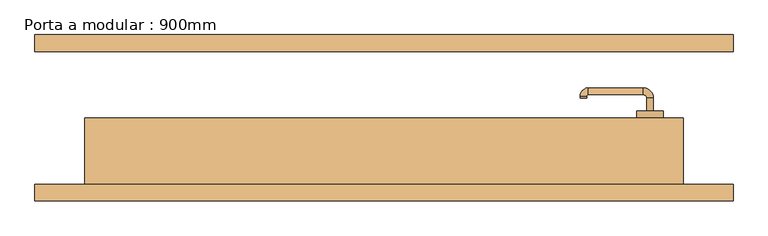
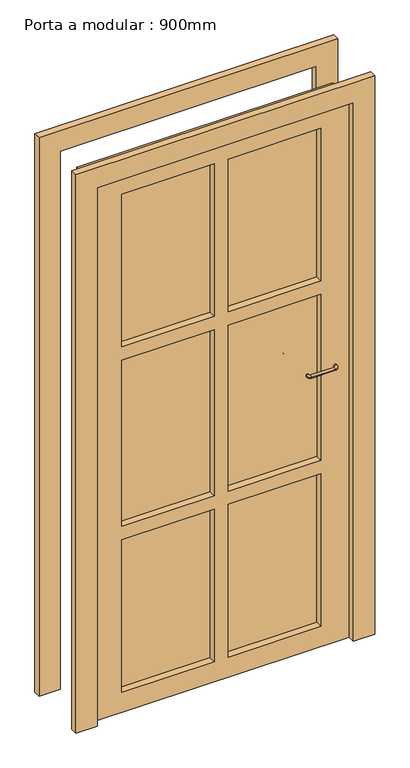
"""IFC4 building model written with IfcOpenShell, lengths in millimetres: door geometry, Porta a modular : 900mm."""

from ifc_helpers import new_model, si_unit, point, frame, frame_2d, origin, origin_with_axes, place, context, project, spatial, polyline, circle_curve, ellipse_curve, trimmed, segment, composite_curve, outline, extrude, source, transform, mapped, element, save
from ifc_brep_helpers import plane_surface, cylinder_surface, revolved_surface, advanced_brep


def porta_a_modular_900mm_2c6da75b(model_context):
    return source(origin(), model_context, "Body", "SolidModel", [
        extrude(outline(composite_curve([segment(polyline([(962.8763376, 402.3084346), (974.135018, 402.3084346)]), True, "CONTINUOUS"), segment(trimmed(circle_curve(frame_2d((979.4570568, 400.0)), 5.8011178), [point((974.135018, 402.3084346))], [point((974.135018, 397.6915654))], False, "CARTESIAN"), True, "CONTINUOUS"), segment(polyline([(974.135018, 397.6915654), (962.8763376, 397.6915654)]), True, "CONTINUOUS"), segment(trimmed(circle_curve(frame_2d((962.8763376, 400.0056608)), 2.3140954), [point((962.8763376, 397.6915654))], [point((960.5622491, 400.0))], False, "CARTESIAN"), True, "CONTINUOUS"), segment(trimmed(circle_curve(frame_2d((962.8763376, 399.9943392)), 2.3140954), [point((960.5622491, 400.0))], [point((962.8763376, 402.3084346))], False, "CARTESIAN"), True, "CONTINUOUS")], self_intersect=False)), frame((0.0, 5.0, 0.0), z_axis=(0.0, 1.0, 0.0), x_axis=(0.0, 0.0, 1.0)), (0.0, 0.0, 1.0), 5.0),
        extrude(outline(composite_curve([segment(trimmed(circle_curve(frame_2d((974.8079154, 400.0)), 20.0), [point((974.8079154, 420.0))], [point((974.8079154, 380.0))], False, "CARTESIAN"), True, "CONTINUOUS"), segment(trimmed(circle_curve(frame_2d((974.8079154, 400.0)), 20.0), [point((974.8079154, 380.0))], [point((974.8079154, 420.0))], False, "CARTESIAN"), True, "CONTINUOUS")], self_intersect=False)), frame((0.0, 0.0, 0.0), z_axis=(0.0, 1.0, 0.0), x_axis=(0.0, 0.0, 1.0)), (0.0, 0.0, 1.0), 10.0),
        advanced_brep(
        [(405.0, 5.0, 1027.5), (395.0, 5.0, 1027.5), (395.0, 30.0, 1027.5), (405.0, 30.0, 1027.5), (390.0, 45.0, 1027.5), (390.0, 35.0, 1027.5), (295.0, 30.0, 1027.5), (305.0, 30.0, 1027.5), (307.0175282, 35.0, 1027.5), (307.0175282, 45.0, 1027.5), (295.0, 32.9824718, 1027.5), (305.0, 32.9824718, 1027.5)],
        [
            (0, 1, circle_curve(frame((400.0, 5.0, 1027.5), z_axis=(0.0, -1.0, 0.0), x_axis=(-1.0000000000000004, 0.0, 0.0)), 5.0)),
            (1, 0, circle_curve(frame((400.0, 5.0, 1027.5), z_axis=(0.0, -1.0, 0.0), x_axis=(-1.0000000000000004, 0.0, 0.0)), 5.0)),
            (1, 2),
            (2, 3, circle_curve(frame((400.0, 30.0, 1027.5), z_axis=(0.0, -1.0, 0.0), x_axis=(-1.0000000000000004, 0.0, 0.0)), 5.0)),
            (3, 0),
            (3, 2, circle_curve(frame((400.0, 30.0, 1027.5), z_axis=(0.0, -1.0, 0.0), x_axis=(-1.0000000000000004, 0.0, 0.0)), 5.0)),
            (4, 3, circle_curve(frame((390.0, 30.0, 1027.5), z_axis=(0.0, 0.0, -1.0), x_axis=(1.0000000000000004, 0.0, 0.0)), 15.0)),
            (2, 5, circle_curve(frame((390.0, 30.0, 1027.5), z_axis=(0.0, 0.0, 1.0), x_axis=(1.0000000000000004, 0.0, 0.0)), 5.0)),
            (5, 4, circle_curve(frame((390.0, 40.0, 1027.5), z_axis=(1.0000000000000004, 0.0, 0.0), x_axis=(0.0, -1.0000000000000004, 0.0)), 5.0)),
            (4, 5, circle_curve(frame((390.0, 40.0, 1027.5), z_axis=(1.0000000000000004, 0.0, 0.0), x_axis=(0.0, -1.0000000000000004, 0.0)), 5.0)),
            (6, 7, circle_curve(frame((300.0, 30.0, 1027.5), z_axis=(0.0, -1.0, 0.0), x_axis=(1.0000000000000004, 0.0, 0.0)), 5.0)),
            (7, 6, circle_curve(frame((300.0, 30.0, 1027.5), z_axis=(0.0, -1.0, 0.0), x_axis=(1.0000000000000004, 0.0, 0.0)), 5.0)),
            (5, 8),
            (8, 9, circle_curve(frame((307.0175282, 40.0, 1027.5), z_axis=(1.0, 0.0, 0.0), x_axis=(0.0, -1.0000000000000004, 0.0)), 5.0)),
            (9, 4),
            (9, 8, circle_curve(frame((307.0175282, 40.0, 1027.5), z_axis=(1.0, 0.0, 0.0), x_axis=(0.0, -1.0000000000000004, 0.0)), 5.0)),
            (10, 9, circle_curve(frame((307.0175282, 32.9824718, 1027.5), z_axis=(0.0, 0.0, -1.0), x_axis=(0.0, 1.0000000000000004, 0.0)), 12.0175282)),
            (8, 11, circle_curve(frame((307.0175282, 32.9824718, 1027.5), z_axis=(0.0, 0.0, 1.0), x_axis=(0.0, 1.0000000000000004, 0.0)), 2.0175282)),
            (11, 10, circle_curve(frame((300.0, 32.9824718, 1027.5), z_axis=(0.0, 1.0000000000000004, 0.0), x_axis=(1.0000000000000004, 0.0, 0.0)), 5.0)),
            (10, 11, circle_curve(frame((300.0, 32.9824718, 1027.5), z_axis=(0.0, 1.0000000000000004, 0.0), x_axis=(1.0000000000000004, 0.0, 0.0)), 5.0)),
            (11, 7),
            (6, 10),
        ],
        [
            plane_surface(frame((400.0, 5.0, 127.5), z_axis=(0.0, -1.0, 0.0), x_axis=(0.0, 0.0, 1.0))),
            cylinder_surface(frame((400.0, 5.0, 1027.5), z_axis=(0.0, -1.0000000000000004, 0.0), x_axis=(-1.0000000000000004, 0.0, 0.0)), 5.0),
            revolved_surface(trimmed(ellipse_curve(frame((400.0, 30.0, 1027.5), z_axis=(0.0, -1.0000000000000004, 0.0), x_axis=(-1.0000000000000004, 0.0, 0.0)), 5.0, 5.0), [point((395.0, 30.0, 1027.5))], [point((405.0, 30.0, 1027.5))], True, "CARTESIAN"), (390.0, 30.0, 127.5), (0.0, 0.0, 1.0)),
            revolved_surface(trimmed(ellipse_curve(frame((400.0, 30.0, 1027.5), z_axis=(0.0, -1.0000000000000004, 0.0), x_axis=(-1.0000000000000004, 0.0, 0.0)), 5.0, 5.0), [point((405.0, 30.0, 1027.5))], [point((395.0, 30.0, 1027.5))], True, "CARTESIAN"), (390.0, 30.0, 127.5), (0.0, 0.0, 1.0)),
            plane_surface(frame((300.0, 30.0, 127.5), z_axis=(0.0, -1.0, 0.0), x_axis=(0.0, 0.0, 1.0))),
            cylinder_surface(frame((390.0, 40.0, 1027.5), z_axis=(1.0000000000000004, 0.0, 0.0), x_axis=(0.0, -1.0000000000000004, 0.0)), 5.0),
            revolved_surface(trimmed(ellipse_curve(frame((307.0175282, 40.0, 1027.5), z_axis=(1.0000000000000004, 0.0, 0.0), x_axis=(0.0, -1.0000000000000004, 0.0)), 5.0, 5.0), [point((307.0175282, 35.0, 1027.5))], [point((307.0175282, 45.0, 1027.5))], True, "CARTESIAN"), (307.0175282, 32.9824718, 127.5), (0.0, 0.0, 1.0)),
            revolved_surface(trimmed(ellipse_curve(frame((307.0175282, 40.0, 1027.5), z_axis=(1.0000000000000004, 0.0, 0.0), x_axis=(0.0, -1.0000000000000004, 0.0)), 5.0, 5.0), [point((307.0175282, 45.0, 1027.5))], [point((307.0175282, 35.0, 1027.5))], True, "CARTESIAN"), (307.0175282, 32.9824718, 127.5), (0.0, 0.0, 1.0)),
            cylinder_surface(frame((300.0, 32.9824718, 1027.5), z_axis=(0.0, 1.0000000000000004, 0.0), x_axis=(1.0000000000000004, 0.0, 0.0)), 5.0),
        ],
        [
            (0, [[1, 2]]),
            (1, [[-2, 3, 4, 5]]),
            (1, [[-1, -5, 6, -3]]),
            (2, [[7, -4, 8, 9]]),
            (3, [[-8, -6, -7, 10]]),
            (4, [[11, 12]]),
            (5, [[-9, 13, 14, 15]]),
            (5, [[-10, -15, 16, -13]]),
            (6, [[17, -14, 18, 19]]),
            (7, [[-18, -16, -17, 20]]),
            (8, [[-19, 21, -11, 22]]),
            (8, [[-20, -22, -12, -21]]),
        ],
    ),
        extrude(outline(composite_curve([segment(trimmed(circle_curve(frame_2d((1027.5, 400.0)), 20.0), [point((1027.5, 420.0))], [point((1027.5, 380.0))], False, "CARTESIAN"), True, "CONTINUOUS"), segment(trimmed(circle_curve(frame_2d((1027.5, 400.0)), 20.0), [point((1027.5, 380.0))], [point((1027.5, 420.0))], False, "CARTESIAN"), True, "CONTINUOUS")], self_intersect=False)), frame((0.0, 0.0, 0.0), z_axis=(0.0, 1.0, 0.0), x_axis=(0.0, 0.0, 1.0)), (0.0, 0.0, 1.0), 10.0),
        extrude(outline(composite_curve([segment(polyline([(962.8763376, 402.3084346), (974.135018, 402.3084346)]), True, "CONTINUOUS"), segment(trimmed(circle_curve(frame_2d((979.4570568, 400.0)), 5.8011178), [point((974.135018, 402.3084346))], [point((974.135018, 397.6915654))], False, "CARTESIAN"), True, "CONTINUOUS"), segment(polyline([(974.135018, 397.6915654), (962.8763376, 397.6915654)]), True, "CONTINUOUS"), segment(trimmed(circle_curve(frame_2d((962.8763376, 400.0056608)), 2.3140954), [point((962.8763376, 397.6915654))], [point((960.5622491, 400.0))], False, "CARTESIAN"), True, "CONTINUOUS"), segment(trimmed(circle_curve(frame_2d((962.8763376, 399.9943392)), 2.3140954), [point((960.5622491, 400.0))], [point((962.8763376, 402.3084346))], False, "CARTESIAN"), True, "CONTINUOUS")], self_intersect=False)), frame((0.0, -85.0, 0.0), z_axis=(0.0, 1.0, 0.0), x_axis=(0.0, 0.0, 1.0)), (0.0, 0.0, 1.0), 5.0),
        extrude(outline(composite_curve([segment(trimmed(circle_curve(frame_2d((974.8079154, 400.0)), 20.0), [point((974.8079154, 420.0))], [point((974.8079154, 380.0))], False, "CARTESIAN"), True, "CONTINUOUS"), segment(trimmed(circle_curve(frame_2d((974.8079154, 400.0)), 20.0), [point((974.8079154, 380.0))], [point((974.8079154, 420.0))], False, "CARTESIAN"), True, "CONTINUOUS")], self_intersect=False)), frame((0.0, -85.0, 0.0), z_axis=(0.0, 1.0, 0.0), x_axis=(0.0, 0.0, 1.0)), (0.0, 0.0, 1.0), 10.0),
        advanced_brep(
        [(405.0, -80.0, 1027.5), (395.0, -80.0, 1027.5), (405.0, -105.0, 1027.5), (395.0, -105.0, 1027.5), (390.0, -120.0, 1027.5), (390.0, -110.0, 1027.5), (295.0, -105.0, 1027.5), (305.0, -105.0, 1027.5), (307.0175282, -120.0, 1027.5), (307.0175282, -110.0, 1027.5), (295.0, -107.9824718, 1027.5), (305.0, -107.9824718, 1027.5)],
        [
            (0, 1, circle_curve(frame((400.0, -80.0, 1027.5), z_axis=(0.0, 1.0, 0.0), x_axis=(-1.0000000000000004, 0.0, 0.0)), 5.0)),
            (1, 0, circle_curve(frame((400.0, -80.0, 1027.5), z_axis=(0.0, 1.0, 0.0), x_axis=(-1.0000000000000004, 0.0, 0.0)), 5.0)),
            (0, 2),
            (2, 3, circle_curve(frame((400.0, -105.0, 1027.5), z_axis=(0.0, 1.0, 0.0), x_axis=(-1.0000000000000004, 0.0, 0.0)), 5.0)),
            (3, 1),
            (3, 2, circle_curve(frame((400.0, -105.0, 1027.5), z_axis=(0.0, 1.0, 0.0), x_axis=(-1.0000000000000004, 0.0, 0.0)), 5.0)),
            (4, 5, circle_curve(frame((390.0, -115.0, 1027.5), z_axis=(1.0000000000000004, 0.0, 0.0), x_axis=(0.0, 1.0000000000000004, 0.0)), 5.0)),
            (5, 3, circle_curve(frame((390.0, -105.0, 1027.5), z_axis=(0.0, 0.0, 1.0), x_axis=(1.0000000000000004, 0.0, 0.0)), 5.0)),
            (2, 4, circle_curve(frame((390.0, -105.0, 1027.5), z_axis=(0.0, 0.0, -1.0), x_axis=(1.0000000000000004, 0.0, 0.0)), 15.0)),
            (5, 4, circle_curve(frame((390.0, -115.0, 1027.5), z_axis=(1.0000000000000004, 0.0, 0.0), x_axis=(0.0, 1.0000000000000004, 0.0)), 5.0)),
            (6, 7, circle_curve(frame((300.0, -105.0, 1027.5), z_axis=(0.0, 1.0, 0.0), x_axis=(1.0000000000000004, 0.0, 0.0)), 5.0)),
            (7, 6, circle_curve(frame((300.0, -105.0, 1027.5), z_axis=(0.0, 1.0, 0.0), x_axis=(1.0000000000000004, 0.0, 0.0)), 5.0)),
            (4, 8),
            (8, 9, circle_curve(frame((307.0175282, -115.0, 1027.5), z_axis=(1.0, 0.0, 0.0), x_axis=(0.0, 1.0000000000000004, 0.0)), 5.0)),
            (9, 5),
            (9, 8, circle_curve(frame((307.0175282, -115.0, 1027.5), z_axis=(1.0, 0.0, 0.0), x_axis=(0.0, 1.0000000000000004, 0.0)), 5.0)),
            (10, 11, circle_curve(frame((300.0, -107.9824718, 1027.5), z_axis=(0.0, -1.0000000000000004, 0.0), x_axis=(1.0000000000000004, 0.0, 0.0)), 5.0)),
            (11, 9, circle_curve(frame((307.0175282, -107.9824718, 1027.5), z_axis=(0.0, 0.0, 1.0), x_axis=(0.0, -1.0000000000000004, 0.0)), 2.0175282)),
            (8, 10, circle_curve(frame((307.0175282, -107.9824718, 1027.5), z_axis=(0.0, 0.0, -1.0), x_axis=(0.0, -1.0000000000000004, 0.0)), 12.0175282)),
            (11, 10, circle_curve(frame((300.0, -107.9824718, 1027.5), z_axis=(0.0, -1.0000000000000004, 0.0), x_axis=(1.0000000000000004, 0.0, 0.0)), 5.0)),
            (10, 6),
            (7, 11),
        ],
        [
            plane_surface(frame((400.0, -80.0, 127.5), z_axis=(0.0, 1.0, 0.0), x_axis=(0.0, 0.0, 1.0))),
            cylinder_surface(frame((400.0, -80.0, 1027.5), z_axis=(0.0, 1.0000000000000004, 0.0), x_axis=(-1.0000000000000004, 0.0, 0.0)), 5.0),
            revolved_surface(trimmed(ellipse_curve(frame((400.0, -105.0, 1027.5), z_axis=(0.0, -1.0000000000000004, 0.0), x_axis=(-1.0000000000000004, 0.0, 0.0)), 5.0, 5.0), [point((395.0, -105.0, 1027.5))], [point((405.0, -105.0, 1027.5))], True, "CARTESIAN"), (390.0, -105.0, 127.5), (0.0, 0.0, 1.0)),
            revolved_surface(trimmed(ellipse_curve(frame((400.0, -105.0, 1027.5), z_axis=(0.0, -1.0000000000000004, 0.0), x_axis=(-1.0000000000000004, 0.0, 0.0)), 5.0, 5.0), [point((405.0, -105.0, 1027.5))], [point((395.0, -105.0, 1027.5))], True, "CARTESIAN"), (390.0, -105.0, 127.5), (0.0, 0.0, 1.0)),
            plane_surface(frame((300.0, -105.0, 127.5), z_axis=(0.0, 1.0, 0.0), x_axis=(0.0, 0.0, 1.0))),
            cylinder_surface(frame((390.0, -115.0, 1027.5), z_axis=(1.0000000000000004, 0.0, 0.0), x_axis=(0.0, 1.0000000000000004, 0.0)), 5.0),
            revolved_surface(trimmed(ellipse_curve(frame((307.0175282, -115.0, 1027.5), z_axis=(-1.0000000000000004, 0.0, 0.0), x_axis=(0.0, 1.0000000000000004, 0.0)), 5.0, 5.0), [point((307.0175282, -110.0, 1027.5))], [point((307.0175282, -120.0, 1027.5))], True, "CARTESIAN"), (307.0175282, -107.9824718, 127.5), (0.0, 0.0, 1.0)),
            revolved_surface(trimmed(ellipse_curve(frame((307.0175282, -115.0, 1027.5), z_axis=(-1.0000000000000004, 0.0, 0.0), x_axis=(0.0, 1.0000000000000004, 0.0)), 5.0, 5.0), [point((307.0175282, -120.0, 1027.5))], [point((307.0175282, -110.0, 1027.5))], True, "CARTESIAN"), (307.0175282, -107.9824718, 127.5), (0.0, 0.0, 1.0)),
            cylinder_surface(frame((300.0, -107.9824718, 1027.5), z_axis=(0.0, -1.0000000000000004, 0.0), x_axis=(1.0000000000000004, 0.0, 0.0)), 5.0),
        ],
        [
            (0, [[1, 2]]),
            (1, [[3, 4, 5, -1]]),
            (1, [[-5, 6, -3, -2]]),
            (2, [[7, 8, -4, 9]]),
            (3, [[10, -9, -6, -8]]),
            (4, [[11, 12]]),
            (5, [[13, 14, 15, -7]]),
            (5, [[-15, 16, -13, -10]]),
            (6, [[17, 18, -14, 19]]),
            (7, [[20, -19, -16, -18]]),
            (8, [[21, -12, 22, -17]]),
            (8, [[-22, -11, -21, -20]]),
        ],
    ),
        extrude(outline(composite_curve([segment(trimmed(circle_curve(frame_2d((1027.5, 400.0)), 20.0), [point((1027.5, 420.0))], [point((1027.5, 380.0))], False, "CARTESIAN"), True, "CONTINUOUS"), segment(trimmed(circle_curve(frame_2d((1027.5, 400.0)), 20.0), [point((1027.5, 380.0))], [point((1027.5, 420.0))], False, "CARTESIAN"), True, "CONTINUOUS")], self_intersect=False)), frame((0.0, -85.0, 0.0), z_axis=(0.0, 1.0, 0.0), x_axis=(0.0, 0.0, 1.0)), (0.0, 0.0, 1.0), 10.0),
        extrude(outline(polyline([(2000.0, -450.0), (2000.0, 450.0), (0.0, 450.0), (0.0, 525.0), (2075.0, 525.0), (2075.0, -525.0), (0.0, -525.0), (0.0, -450.0), (2000.0, -450.0)])), frame((0.0, -125.0, 0.0), z_axis=(0.0, 1.0, 0.0), x_axis=(0.0, 0.0, 1.0)), (0.0, 0.0, 1.0), 25.0),
        extrude(outline(polyline([(2075.0, -525.0), (0.0, -525.0), (0.0, -450.0), (2000.0, -450.0), (2000.0, 450.0), (0.0, 450.0), (0.0, 525.0), (2075.0, 525.0), (2075.0, -525.0)])), frame((0.0, 100.0, 0.0), z_axis=(0.0, 1.0, 0.0), x_axis=(0.0, 0.0, 1.0)), (0.0, 0.0, 1.0), 25.0),
        extrude(outline(polyline([(-350.0, -75.0), (-350.0, -50.0), (-25.0, -50.0), (-25.0, -75.0), (-350.0, -75.0)])), frame((0.0, 0.0, 691.7), z_axis=(0.0, 0.0, 1.0), x_axis=(1.0, 0.0, 0.0)), (0.0, 0.0, 1.0), 616.7),
        extrude(outline(polyline([(350.0, -75.0), (25.0, -75.0), (25.0, -25.0), (350.0, -25.0), (350.0, -75.0)])), frame((0.0, 0.0, 691.7), z_axis=(0.0, 0.0, 1.0), x_axis=(1.0, 0.0, 0.0)), (0.0, 0.0, 1.0), 616.7),
        extrude(outline(polyline([(2000.0, -450.0), (0.0, -450.0), (0.0, 450.0), (2000.0, 450.0), (2000.0, -450.0)]), holes=[polyline([(1308.4, -25.0), (691.7, -25.0), (691.7, -350.0), (1308.4, -350.0), (1308.4, -25.0)]), polyline([(1308.4, 350.0), (691.7, 350.0), (691.7, 25.0), (1308.4, 25.0), (1308.4, 350.0)]), polyline([(641.7, 350.0), (75.0, 350.0), (75.0, 25.0), (641.7, 25.0), (641.7, 350.0)]), polyline([(641.7, -25.0), (75.0, -25.0), (75.0, -350.0), (641.7, -350.0), (641.7, -25.0)]), polyline([(1925.0333333, 350.0), (1358.3333333, 350.0), (1358.3333333, 25.0), (1925.0333333, 25.0), (1925.0333333, 350.0)]), polyline([(1925.0333333, -25.0), (1358.3333333, -25.0), (1358.3333333, -350.0), (1925.0333333, -350.0), (1925.0333333, -25.0)])]), frame((0.0, -100.0, 0.0), z_axis=(0.0, 1.0, 0.0), x_axis=(0.0, 0.0, 1.0)), (0.0, 0.0, 1.0), 100.0),
        extrude(outline(polyline([(-350.0, -75.0), (-350.0, -50.0), (-25.0, -50.0), (-25.0, -75.0), (-350.0, -75.0)])), frame((0.0, 0.0, 1358.3333333), z_axis=(0.0, 0.0, 1.0), x_axis=(1.0, 0.0, 0.0)), (0.0, 0.0, 1.0), 566.7),
        extrude(outline(polyline([(350.0, -75.0), (25.0, -75.0), (25.0, -25.0), (350.0, -25.0), (350.0, -75.0)])), frame((0.0, 0.0, 1358.3333333), z_axis=(0.0, 0.0, 1.0), x_axis=(1.0, 0.0, 0.0)), (0.0, 0.0, 1.0), 566.7),
        extrude(outline(polyline([(350.0, -75.0), (25.0, -75.0), (25.0, -25.0), (350.0, -25.0), (350.0, -75.0)])), frame((0.0, 0.0, 50.0), z_axis=(0.0, 0.0, 1.0), x_axis=(1.0, 0.0, 0.0)), (0.0, 0.0, 1.0), 604.2),
        extrude(outline(polyline([(-350.0, -75.0), (-350.0, -25.0), (-25.0, -25.0), (-25.0, -75.0), (-350.0, -75.0)])), origin_with_axes(), (0.0, 0.0, 1.0), 641.7),
    ])


if __name__ == "__main__":
    model = new_model("IFC4")
    model_context = context("Model", 3, world=origin())
    ifc_project = project(units=[si_unit("LENGTHUNIT", "METRE", prefix="MILLI")], contexts=[model_context])
    site = spatial("IfcSite", under=ifc_project)
    building = spatial("IfcBuilding", under=site)
    placement = place(None, origin())
    porta_a_modular_900mm_shape = porta_a_modular_900mm_2c6da75b(model_context)
    element("IfcDoor", 1, ObjectType="Porta a modular : 900mm", at=placement, inside=building, context=model_context, shape_type="MappedRepresentation", body=[
        mapped(porta_a_modular_900mm_shape, transform((0.0, 0.0, 0.0), x_axis=(1.0, 0.0, 0.0), y_axis=(0.0, 1.0, 0.0), z_axis=(0.0, 0.0, 1.0))),
    ])
    save(model, "model.ifc")
